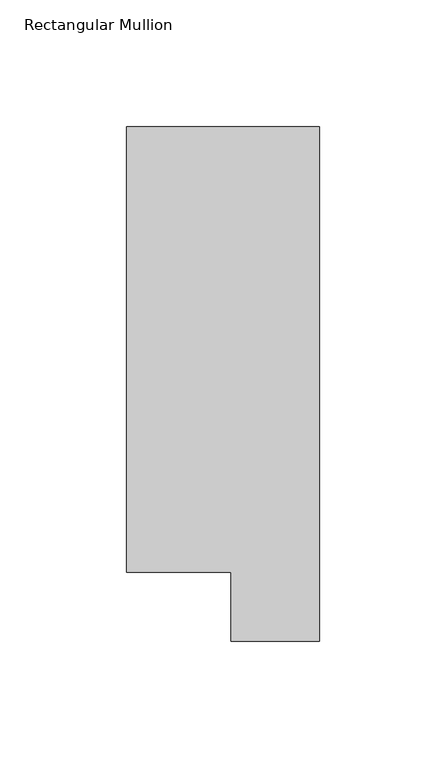
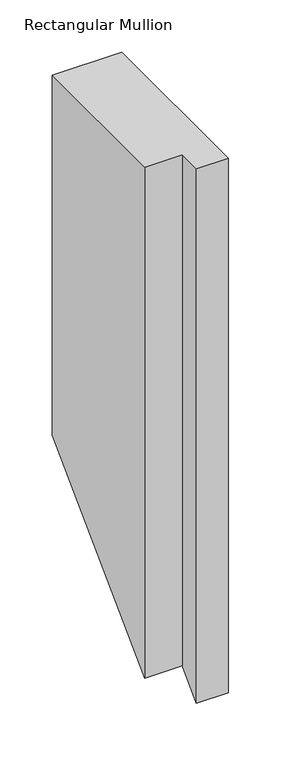
"""IFC4 building model written with IfcOpenShell, lengths in millimetres: member geometry, Rectangular Mullion."""

import ifcopenshell
import ifcopenshell.guid

model = None  # the IFC model being written
_history = None  # IfcOwnerHistory: only IFC2X3 demands one
_inside = {}  # id of a spatial element -> (the spatial element, [elements in it])
_under = {}  # id of a project, library or spatial element -> (it, [spatial elements below it])
_declared = {}  # id of a project -> (the project, [libraries it declares])
_typed = {}  # id of a type object -> (the type object, [elements of that type])
_made_of = {}  # id of a material, layer set ... -> (it, [elements and type objects made of it])


def new_model(schema):
    """Start an empty IFC model of exactly this schema.

    Asked for "IFC4X3", IfcOpenShell would pick the latest addendum, in which some entities
    have other attributes; the version numbers below select the first issue.
    IFC2X3 requires an IfcOwnerHistory on every rooted entity: one is made here for all.
    """
    global model, _history
    if schema == "IFC4X3":
        model = ifcopenshell.file(schema_version=(4, 3, 0, 0))
    else:
        model = ifcopenshell.file(schema=schema)
    _inside.clear()
    _under.clear()
    _declared.clear()
    _typed.clear()
    _made_of.clear()
    _history = None
    if model.schema == "IFC2X3":
        org = make("IfcOrganization", Name="unknown")
        user = make(
            "IfcPersonAndOrganization",
            ThePerson=make("IfcPerson", FamilyName="unknown"),
            TheOrganization=org,
        )
        app = make(
            "IfcApplication",
            ApplicationDeveloper=org,
            Version="unknown",
            ApplicationFullName="unknown",
            ApplicationIdentifier="unknown",
        )
        _history = make(
            "IfcOwnerHistory",
            OwningUser=user,
            OwningApplication=app,
            ChangeAction="ADDED",
            CreationDate=0,
        )
    return model


def make(cls, **values):
    """One entity of the class cls with the attributes given. An attribute that is None is left unset."""
    return model.create_entity(
        cls, **{name: value for name, value in values.items() if value is not None}
    )


def rooted(cls, **values):
    """An entity with a GlobalId (a new one), such as an element, a storey or a relation."""
    return make(cls, GlobalId=ifcopenshell.guid.new(), OwnerHistory=_history, **values)


def si_unit(unit_type, name, prefix=None):
    """IfcSIUnit, for example si_unit("LENGTHUNIT", "METRE", prefix="MILLI")."""
    return make("IfcSIUnit", UnitType=unit_type, Prefix=prefix, Name=name)


def assignment(units):
    """IfcUnitAssignment: the units of a project."""
    return None if units is None else make("IfcUnitAssignment", Units=units)


def point(xyz):
    """IfcCartesianPoint."""
    return None if xyz is None else make("IfcCartesianPoint", Coordinates=xyz)


def direction(xyz):
    """IfcDirection."""
    return None if xyz is None else make("IfcDirection", DirectionRatios=xyz)


def frame(location, z_axis=None, x_axis=None):
    """IfcAxis2Placement3D, a coordinate frame: its origin and axes. An axis left out is left unset."""
    return make(
        "IfcAxis2Placement3D",
        Location=point(location),
        Axis=direction(z_axis),
        RefDirection=direction(x_axis),
    )


def origin():
    """The frame at (0, 0, 0) with its axes left unset."""
    return frame((0.0, 0.0, 0.0))


def place(relative_to, where):
    """IfcLocalPlacement: puts the frame where relative to a parent placement (None: the world)."""
    return make(
        "IfcLocalPlacement", PlacementRelTo=relative_to, RelativePlacement=where
    )


def context(
    kind, dimensions, precision=None, world=None, true_north=None, identifier=None
):
    """IfcGeometricRepresentationContext, for example the 3D "Model" context."""
    return make(
        "IfcGeometricRepresentationContext",
        ContextIdentifier=identifier,
        ContextType=kind,
        CoordinateSpaceDimension=dimensions,
        Precision=precision,
        WorldCoordinateSystem=world,
        TrueNorth=true_north,
    )


def project(units=None, contexts=None):
    """IfcProject with its units and contexts."""
    return rooted(
        "IfcProject",
        Name="project",
        RepresentationContexts=contexts,
        UnitsInContext=assignment(units),
    )


def spatial(cls, under=None, at=None, **own):
    """A site, building, storey or space (cls), placed at a placement, below another one or the project."""
    s = rooted(cls, ObjectPlacement=at, **own)
    if under is not None:
        _under.setdefault(under.id(), (under, []))[1].append(s)
    return s


def faces_of(points, faces, orient=None, outer=None):
    """IfcFace entities. A face is a list of loops; a loop is a list of indices into points, from 0.

    orient and outer hold one flag for each loop. By default every Orientation is true, the
    first loop of a face is its IfcFaceOuterBound and the others are IfcFaceBound.
    """
    made = []
    for i, loops in enumerate(faces):
        bounds = []
        for j, loop in enumerate(loops):
            is_outer = j == 0 if outer is None else outer[i][j]
            bounds.append(
                make(
                    "IfcFaceOuterBound" if is_outer else "IfcFaceBound",
                    Bound=make("IfcPolyLoop", Polygon=[points[k] for k in loop]),
                    Orientation=True if orient is None else orient[i][j],
                )
            )
        made.append(make("IfcFace", Bounds=bounds))
    return made


def faceted_brep(points, faces, orient=None, outer=None, voids=None):
    """IfcFacetedBrep: a solid bounded by flat faces; with voids (closed shells), ...WithVoids."""
    shared = [point(p) for p in points]
    hull = make("IfcClosedShell", CfsFaces=faces_of(shared, faces, orient, outer))
    if voids is None:
        return make("IfcFacetedBrep", Outer=hull)
    return make(
        "IfcFacetedBrepWithVoids",
        Outer=hull,
        Voids=[
            make(cls, CfsFaces=faces_of(shared, fs, o, b)) for cls, fs, o, b in voids
        ],
    )


def shape(context_of_items, identifier, shape_type, items):
    """IfcShapeRepresentation: the items that make up one representation, for example the "Body"."""
    return make(
        "IfcShapeRepresentation",
        ContextOfItems=context_of_items,
        RepresentationIdentifier=identifier,
        RepresentationType=shape_type,
        Items=items,
    )


def source(mapping_origin, context_of_items, identifier, shape_type, items):
    """IfcRepresentationMap: a shape defined once, which mapped items show again and again."""
    return make(
        "IfcRepresentationMap",
        MappingOrigin=mapping_origin,
        MappedRepresentation=shape(context_of_items, identifier, shape_type, items),
    )


def transform(
    local_origin,
    x_axis=None,
    y_axis=None,
    z_axis=None,
    scale=None,
    scale2=None,
    scale3=None,
    uniform=True,
):
    """IfcCartesianTransformationOperator3D, or its non-uniform kind. x_axis, y_axis, z_axis: its Axis1, 2, 3."""
    if uniform:
        return make(
            "IfcCartesianTransformationOperator3D",
            Axis1=direction(x_axis),
            Axis2=direction(y_axis),
            LocalOrigin=point(local_origin),
            Scale=scale,
            Axis3=direction(z_axis),
        )
    return make(
        "IfcCartesianTransformationOperator3DnonUniform",
        Axis1=direction(x_axis),
        Axis2=direction(y_axis),
        LocalOrigin=point(local_origin),
        Scale=scale,
        Axis3=direction(z_axis),
        Scale2=scale2,
        Scale3=scale3,
    )


def mapped(mapping_source, mapping_target):
    """IfcMappedItem: shows the shape of a source again, moved by a transform."""
    return make(
        "IfcMappedItem", MappingSource=mapping_source, MappingTarget=mapping_target
    )


def made_of(thing, what):
    """Note that an element or type object is made of a material, layer set ...; save() writes the relation."""
    if what is not None:
        _made_of.setdefault(what.id(), (what, []))[1].append(thing)
    return thing


def element(
    cls,
    number,
    at=None,
    inside=None,
    cuts=None,
    type_object=None,
    material=None,
    context=None,
    identifier="Body",
    shape_type=None,
    held_by="IfcProductDefinitionShape",
    body=None,
    shapes=None,
    **own,
):
    """One element of the class cls, such as IfcWall. Its Tag is "e" and its number.

    at: its placement. inside: the storey or other place that contains it. cuts: it is an
    opening in that element (IfcRelVoidsElement). A single representation is given by context,
    identifier, shape_type and body (its items); several are given by shapes. held_by: the class
    of the entity that holds the representations. save() writes the other relations.
    """
    e = rooted(cls, Tag="e%d" % number, ObjectPlacement=at, **own)
    if body is not None:
        shapes = [shape(context, identifier, shape_type, body)]
    if shapes is not None:
        e.Representation = make(held_by, Representations=shapes)
    if inside is not None:
        _inside.setdefault(inside.id(), (inside, []))[1].append(e)
    if cuts is not None:
        rooted(
            "IfcRelVoidsElement", RelatingBuildingElement=cuts, RelatedOpeningElement=e
        )
    if type_object is not None:
        _typed.setdefault(type_object.id(), (type_object, []))[1].append(e)
    return made_of(e, material)


def aggregate(whole, parts):
    """IfcRelAggregates: a whole, such as a stair, and the parts it consists of."""
    return rooted("IfcRelAggregates", RelatingObject=whole, RelatedObjects=parts)


def save(model, path):
    """Write the relations noted so far, then the file.

    IfcRelAggregates (storeys below a building ...), IfcRelContainedInSpatialStructure (elements
    in a storey), IfcRelDefinesByType, IfcRelAssociatesMaterial and IfcRelDeclares: one each for
    every whole, place, type object, material and project.
    """
    for whole, parts in _under.values():
        aggregate(whole, parts)
    for where, things in _inside.values():
        rooted(
            "IfcRelContainedInSpatialStructure",
            RelatedElements=things,
            RelatingStructure=where,
        )
    for kind, things in _typed.values():
        rooted("IfcRelDefinesByType", RelatedObjects=things, RelatingType=kind)
    for what, things in _made_of.values():
        rooted("IfcRelAssociatesMaterial", RelatedObjects=things, RelatingMaterial=what)
    for by, libraries in _declared.values():
        rooted("IfcRelDeclares", RelatingContext=by, RelatedDefinitions=libraries)
    model.write(path)


def rectangular_mullion_b6aef4b7(model_context):
    return source(origin(), model_context, "Body", "Brep", [
        faceted_brep([(0.0, 222.5381312, 0.0), (-76.2, 222.5381312, 0.0), (-76.2, 46.7447302, 0.0), (-34.9123, 46.7447302, 0.0), (-34.9123, 19.5667312, 0.0), (0.0, 19.5667312, 0.0), (0.0, 222.5381312, -418.8118687), (-76.2, 222.5381312, -418.8118687), (-76.2, 46.7447302, -594.6052698), (-34.9123, 46.7447302, -594.6052698), (-34.9123, 19.5667312, -621.7832687), (0.0, 19.5667312, -621.7832687)], [[[0, 1, 2, 3, 4, 5]], [[1, 0, 6, 7]], [[2, 1, 7, 8]], [[3, 2, 8, 9]], [[4, 3, 9, 10]], [[5, 4, 10, 11]], [[0, 5, 11, 6]], [[6, 11, 10, 9, 8, 7]]]),
    ])


if __name__ == "__main__":
    model = new_model("IFC4")
    model_context = context("Model", 3, world=origin())
    ifc_project = project(units=[si_unit("LENGTHUNIT", "METRE", prefix="MILLI")], contexts=[model_context])
    site = spatial("IfcSite", under=ifc_project)
    building = spatial("IfcBuilding", under=site)
    placement = place(None, origin())
    rectangular_mullion_shape = rectangular_mullion_b6aef4b7(model_context)
    element("IfcMember", 1, ObjectType="Rectangular Mullion", at=placement, inside=building, context=model_context, shape_type="MappedRepresentation", body=[
        mapped(rectangular_mullion_shape, transform((0.0, 0.0, 0.0), x_axis=(1.0, 0.0, 0.0), y_axis=(0.0, 1.0, 0.0), z_axis=(0.0, 0.0, 1.0))),
    ])
    save(model, "model.ifc")
